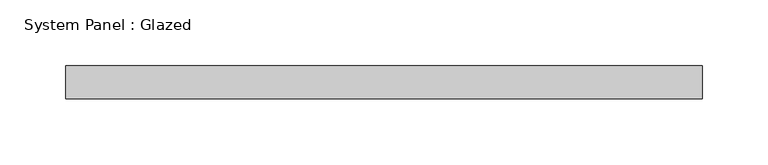
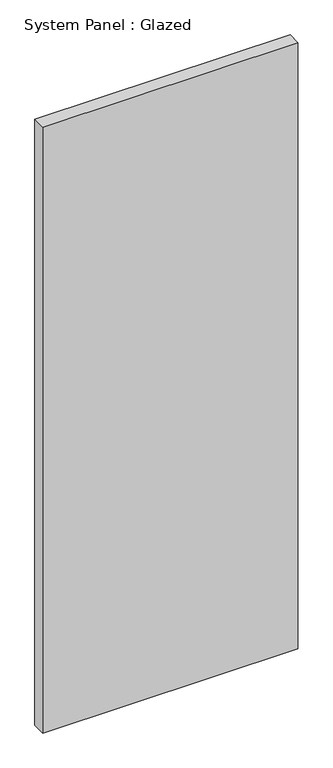
"""IFC4 building model written with IfcOpenShell, lengths in millimetres: plate geometry, System Panel : Glazed."""

import ifcopenshell
import ifcopenshell.guid

model = None  # the IFC model being written
_history = None  # IfcOwnerHistory: only IFC2X3 demands one
_inside = {}  # id of a spatial element -> (the spatial element, [elements in it])
_under = {}  # id of a project, library or spatial element -> (it, [spatial elements below it])
_declared = {}  # id of a project -> (the project, [libraries it declares])
_typed = {}  # id of a type object -> (the type object, [elements of that type])
_made_of = {}  # id of a material, layer set ... -> (it, [elements and type objects made of it])


def new_model(schema):
    """Start an empty IFC model of exactly this schema.

    Asked for "IFC4X3", IfcOpenShell would pick the latest addendum, in which some entities
    have other attributes; the version numbers below select the first issue.
    IFC2X3 requires an IfcOwnerHistory on every rooted entity: one is made here for all.
    """
    global model, _history
    if schema == "IFC4X3":
        model = ifcopenshell.file(schema_version=(4, 3, 0, 0))
    else:
        model = ifcopenshell.file(schema=schema)
    _inside.clear()
    _under.clear()
    _declared.clear()
    _typed.clear()
    _made_of.clear()
    _history = None
    if model.schema == "IFC2X3":
        org = make("IfcOrganization", Name="unknown")
        user = make(
            "IfcPersonAndOrganization",
            ThePerson=make("IfcPerson", FamilyName="unknown"),
            TheOrganization=org,
        )
        app = make(
            "IfcApplication",
            ApplicationDeveloper=org,
            Version="unknown",
            ApplicationFullName="unknown",
            ApplicationIdentifier="unknown",
        )
        _history = make(
            "IfcOwnerHistory",
            OwningUser=user,
            OwningApplication=app,
            ChangeAction="ADDED",
            CreationDate=0,
        )
    return model


def make(cls, **values):
    """One entity of the class cls with the attributes given. An attribute that is None is left unset."""
    return model.create_entity(
        cls, **{name: value for name, value in values.items() if value is not None}
    )


def rooted(cls, **values):
    """An entity with a GlobalId (a new one), such as an element, a storey or a relation."""
    return make(cls, GlobalId=ifcopenshell.guid.new(), OwnerHistory=_history, **values)


def si_unit(unit_type, name, prefix=None):
    """IfcSIUnit, for example si_unit("LENGTHUNIT", "METRE", prefix="MILLI")."""
    return make("IfcSIUnit", UnitType=unit_type, Prefix=prefix, Name=name)


def assignment(units):
    """IfcUnitAssignment: the units of a project."""
    return None if units is None else make("IfcUnitAssignment", Units=units)


def point(xyz):
    """IfcCartesianPoint."""
    return None if xyz is None else make("IfcCartesianPoint", Coordinates=xyz)


def direction(xyz):
    """IfcDirection."""
    return None if xyz is None else make("IfcDirection", DirectionRatios=xyz)


def frame(location, z_axis=None, x_axis=None):
    """IfcAxis2Placement3D, a coordinate frame: its origin and axes. An axis left out is left unset."""
    return make(
        "IfcAxis2Placement3D",
        Location=point(location),
        Axis=direction(z_axis),
        RefDirection=direction(x_axis),
    )


def origin():
    """The frame at (0, 0, 0) with its axes left unset."""
    return frame((0.0, 0.0, 0.0))


def origin_with_axes():
    """The frame at (0, 0, 0) with the z axis (0, 0, 1) and the x axis (1, 0, 0) written out."""
    return frame((0.0, 0.0, 0.0), z_axis=(0.0, 0.0, 1.0), x_axis=(1.0, 0.0, 0.0))


def place(relative_to, where):
    """IfcLocalPlacement: puts the frame where relative to a parent placement (None: the world)."""
    return make(
        "IfcLocalPlacement", PlacementRelTo=relative_to, RelativePlacement=where
    )


def context(
    kind, dimensions, precision=None, world=None, true_north=None, identifier=None
):
    """IfcGeometricRepresentationContext, for example the 3D "Model" context."""
    return make(
        "IfcGeometricRepresentationContext",
        ContextIdentifier=identifier,
        ContextType=kind,
        CoordinateSpaceDimension=dimensions,
        Precision=precision,
        WorldCoordinateSystem=world,
        TrueNorth=true_north,
    )


def project(units=None, contexts=None):
    """IfcProject with its units and contexts."""
    return rooted(
        "IfcProject",
        Name="project",
        RepresentationContexts=contexts,
        UnitsInContext=assignment(units),
    )


def spatial(cls, under=None, at=None, **own):
    """A site, building, storey or space (cls), placed at a placement, below another one or the project."""
    s = rooted(cls, ObjectPlacement=at, **own)
    if under is not None:
        _under.setdefault(under.id(), (under, []))[1].append(s)
    return s


def polyline(points):
    """IfcPolyline through the points."""
    return make("IfcPolyline", Points=[point(p) for p in points])


def outline(outer, holes=None, kind="AREA"):
    """IfcArbitraryClosedProfileDef: a profile drawn as a closed curve; with holes, ...WithVoids."""
    if holes is None:
        return make("IfcArbitraryClosedProfileDef", ProfileType=kind, OuterCurve=outer)
    return make(
        "IfcArbitraryProfileDefWithVoids",
        ProfileType=kind,
        OuterCurve=outer,
        InnerCurves=holes,
    )


def extrude(swept, where, along, depth):
    """IfcExtrudedAreaSolid: the profile swept, set in the frame where, extruded along a direction by depth."""
    return make(
        "IfcExtrudedAreaSolid",
        SweptArea=swept,
        Position=where,
        ExtrudedDirection=direction(along),
        Depth=depth,
    )


def shape(context_of_items, identifier, shape_type, items):
    """IfcShapeRepresentation: the items that make up one representation, for example the "Body"."""
    return make(
        "IfcShapeRepresentation",
        ContextOfItems=context_of_items,
        RepresentationIdentifier=identifier,
        RepresentationType=shape_type,
        Items=items,
    )


def source(mapping_origin, context_of_items, identifier, shape_type, items):
    """IfcRepresentationMap: a shape defined once, which mapped items show again and again."""
    return make(
        "IfcRepresentationMap",
        MappingOrigin=mapping_origin,
        MappedRepresentation=shape(context_of_items, identifier, shape_type, items),
    )


def transform(
    local_origin,
    x_axis=None,
    y_axis=None,
    z_axis=None,
    scale=None,
    scale2=None,
    scale3=None,
    uniform=True,
):
    """IfcCartesianTransformationOperator3D, or its non-uniform kind. x_axis, y_axis, z_axis: its Axis1, 2, 3."""
    if uniform:
        return make(
            "IfcCartesianTransformationOperator3D",
            Axis1=direction(x_axis),
            Axis2=direction(y_axis),
            LocalOrigin=point(local_origin),
            Scale=scale,
            Axis3=direction(z_axis),
        )
    return make(
        "IfcCartesianTransformationOperator3DnonUniform",
        Axis1=direction(x_axis),
        Axis2=direction(y_axis),
        LocalOrigin=point(local_origin),
        Scale=scale,
        Axis3=direction(z_axis),
        Scale2=scale2,
        Scale3=scale3,
    )


def mapped(mapping_source, mapping_target):
    """IfcMappedItem: shows the shape of a source again, moved by a transform."""
    return make(
        "IfcMappedItem", MappingSource=mapping_source, MappingTarget=mapping_target
    )


def made_of(thing, what):
    """Note that an element or type object is made of a material, layer set ...; save() writes the relation."""
    if what is not None:
        _made_of.setdefault(what.id(), (what, []))[1].append(thing)
    return thing


def element(
    cls,
    number,
    at=None,
    inside=None,
    cuts=None,
    type_object=None,
    material=None,
    context=None,
    identifier="Body",
    shape_type=None,
    held_by="IfcProductDefinitionShape",
    body=None,
    shapes=None,
    **own,
):
    """One element of the class cls, such as IfcWall. Its Tag is "e" and its number.

    at: its placement. inside: the storey or other place that contains it. cuts: it is an
    opening in that element (IfcRelVoidsElement). A single representation is given by context,
    identifier, shape_type and body (its items); several are given by shapes. held_by: the class
    of the entity that holds the representations. save() writes the other relations.
    """
    e = rooted(cls, Tag="e%d" % number, ObjectPlacement=at, **own)
    if body is not None:
        shapes = [shape(context, identifier, shape_type, body)]
    if shapes is not None:
        e.Representation = make(held_by, Representations=shapes)
    if inside is not None:
        _inside.setdefault(inside.id(), (inside, []))[1].append(e)
    if cuts is not None:
        rooted(
            "IfcRelVoidsElement", RelatingBuildingElement=cuts, RelatedOpeningElement=e
        )
    if type_object is not None:
        _typed.setdefault(type_object.id(), (type_object, []))[1].append(e)
    return made_of(e, material)


def aggregate(whole, parts):
    """IfcRelAggregates: a whole, such as a stair, and the parts it consists of."""
    return rooted("IfcRelAggregates", RelatingObject=whole, RelatedObjects=parts)


def save(model, path):
    """Write the relations noted so far, then the file.

    IfcRelAggregates (storeys below a building ...), IfcRelContainedInSpatialStructure (elements
    in a storey), IfcRelDefinesByType, IfcRelAssociatesMaterial and IfcRelDeclares: one each for
    every whole, place, type object, material and project.
    """
    for whole, parts in _under.values():
        aggregate(whole, parts)
    for where, things in _inside.values():
        rooted(
            "IfcRelContainedInSpatialStructure",
            RelatedElements=things,
            RelatingStructure=where,
        )
    for kind, things in _typed.values():
        rooted("IfcRelDefinesByType", RelatedObjects=things, RelatingType=kind)
    for what, things in _made_of.values():
        rooted("IfcRelAssociatesMaterial", RelatedObjects=things, RelatingMaterial=what)
    for by, libraries in _declared.values():
        rooted("IfcRelDeclares", RelatingContext=by, RelatedDefinitions=libraries)
    model.write(path)


def system_panel_glazed_b1f91e9a(model_context):
    return source(origin(), model_context, "Body", "SweptSolid", [
        extrude(outline(polyline([(242.8875, -44.45), (-242.8875, -44.45), (-242.8875, -19.05), (242.8875, -19.05), (242.8875, -44.45)])), origin_with_axes(), (0.0, 0.0, 1.0), 1219.2),
    ])


if __name__ == "__main__":
    model = new_model("IFC4")
    model_context = context("Model", 3, world=origin())
    ifc_project = project(units=[si_unit("LENGTHUNIT", "METRE", prefix="MILLI")], contexts=[model_context])
    site = spatial("IfcSite", under=ifc_project)
    building = spatial("IfcBuilding", under=site)
    placement = place(None, origin())
    system_panel_glazed_shape = system_panel_glazed_b1f91e9a(model_context)
    element("IfcPlate", 1, ObjectType="System Panel : Glazed", at=placement, inside=building, context=model_context, shape_type="MappedRepresentation", body=[
        mapped(system_panel_glazed_shape, transform((0.0, 0.0, 0.0), x_axis=(1.0, 0.0, 0.0), y_axis=(0.0, 1.0, 0.0), z_axis=(0.0, 0.0, 1.0))),
    ])
    save(model, "model.ifc")
